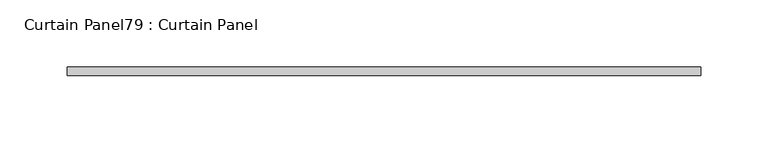
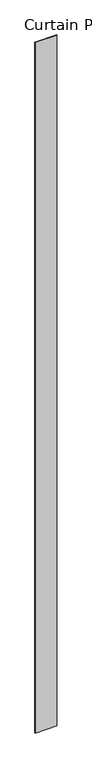
"""IFC4 building model written with IfcOpenShell, lengths in millimetres: plate geometry, Curtain Panel79 : Curtain Panel."""

from ifc_helpers import new_model, si_unit, frame, origin, place, context, project, spatial, polyline, outline, extrude, source, transform, mapped, element, save


def curtain_panel79_curtain_panel_b9b558e1(model_context):
    return source(origin(), model_context, "Body", "SweptSolid", [
        extrude(outline(polyline([(171120.5950674, 8038.1084949), (170650.5440858, 8038.1084949), (170650.5440858, 8044.4584949), (171120.5950674, 8044.4584949), (171120.5950674, 8038.1084949)])), frame((0.0, 0.0, 1433.7679301), z_axis=(0.0, 0.0, 1.0), x_axis=(1.0, 0.0, 0.0)), (0.0, 0.0, 1.0), 15837.0064664),
    ])


if __name__ == "__main__":
    model = new_model("IFC4")
    model_context = context("Model", 3, world=origin())
    ifc_project = project(units=[si_unit("LENGTHUNIT", "METRE", prefix="MILLI")], contexts=[model_context])
    site = spatial("IfcSite", under=ifc_project)
    building = spatial("IfcBuilding", under=site)
    placement = place(None, origin())
    curtain_panel79_curtain_panel_shape = curtain_panel79_curtain_panel_b9b558e1(model_context)
    element("IfcPlate", 1, ObjectType="Curtain Panel79 : Curtain Panel", at=placement, inside=building, context=model_context, shape_type="MappedRepresentation", body=[
        mapped(curtain_panel79_curtain_panel_shape, transform((0.0, 0.0, 0.0), x_axis=(1.0, 0.0, 0.0), y_axis=(0.0, 1.0, 0.0), z_axis=(0.0, 0.0, 1.0))),
    ])
    save(model, "model.ifc")
